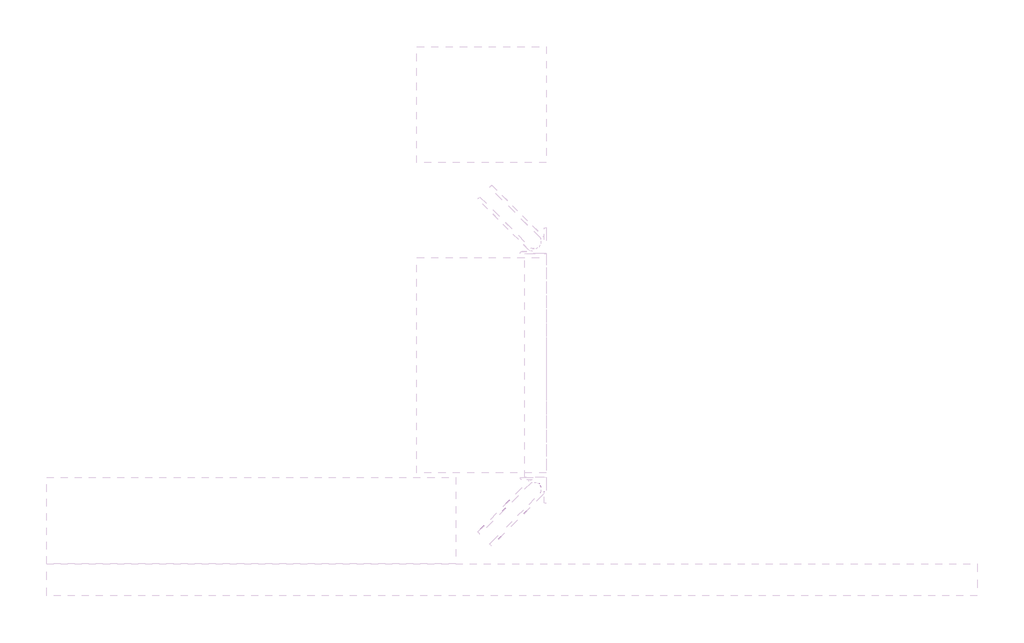
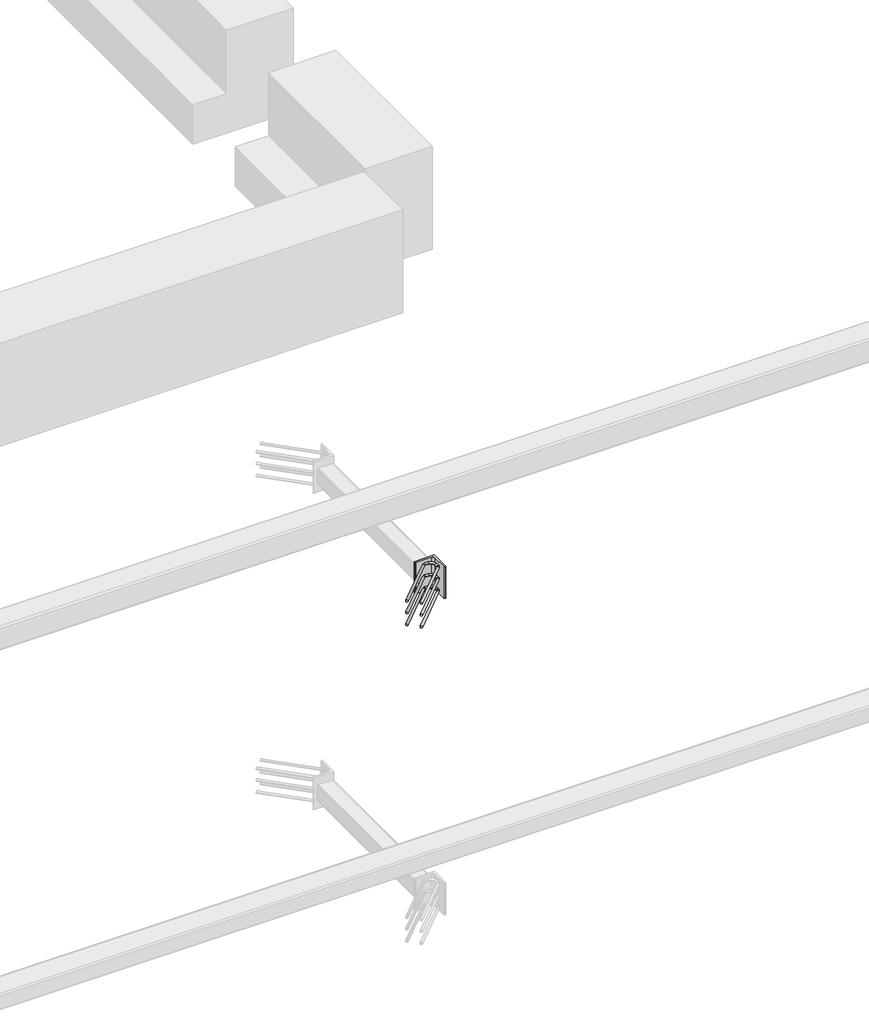
# One storey, part 46 of 65: 1 fastener.
"""IFC4 building model written with IfcOpenShell, lengths in millimetres."""

from ifc_helpers import new_model, si_unit, point, frame, frame_2d, origin, place, context, project, spatial, polyline, circle_curve, ellipse_curve, trimmed, segment, composite_curve, outline, extrude, element, save
from ifc_brep_helpers import plane_surface, cylinder_surface, revolved_surface, advanced_brep

model = new_model("IFC4")

# Units and contexts
model_context = context("Model", 3, world=origin())
ifc_project = project(units=[si_unit("LENGTHUNIT", "METRE", prefix="MILLI")], contexts=[model_context])

# Site, building, storey
site = spatial("IfcSite", under=ifc_project)
building = spatial("IfcBuilding", under=site)
storey = spatial("IfcBuildingStorey", under=building, Elevation=0.0)

# Fastener
placement = place(None, origin())
element("IfcFastener", 1, at=placement, inside=storey, context=model_context, shape_type="SolidModel", body=[
    advanced_brep(
    [(71097.4623741, 9882.5628791, 3975.0), (71087.5628791, 9892.4623741, 3975.0), (71032.5628791, 9947.4623741, 3975.0), (71042.4623741, 9937.5628791, 3975.0), (71303.0, 10176.0, 3975.0), (71303.0, 10190.0, 3975.0), (71284.2132034, 10190.0, 3975.0), (71284.2132034, 10176.0, 3975.0), (71326.0, 10153.0, 3975.0), (71340.0, 10153.0, 3975.0), (71326.0, 10134.2132034, 3975.0), (71340.0, 10134.2132034, 3975.0), (71333.5563492, 10118.6568542, 3975.0), (71323.6568543, 10128.5563492, 3975.0), (71278.5563492, 10173.6568542, 3975.0), (71268.6568543, 10183.5563492, 3975.0)],
    [
        (0, 1, circle_curve(frame((71092.5126266, 9887.5126266, 3975.0), z_axis=(-0.7071067811865505, -0.7071067811865446, 0.0), x_axis=(-0.7071067811865447, 0.7071067811865506, 0.0)), 7.0)),
        (1, 0, circle_curve(frame((71092.5126266, 9887.5126266, 3975.0), z_axis=(-0.7071067811865505, -0.7071067811865446, 0.0), x_axis=(-0.7071067811865447, 0.7071067811865506, 0.0)), 7.0)),
        (2, 3, circle_curve(frame((71037.5126266, 9942.5126266, 3975.0), z_axis=(-0.7071067811865503, -0.7071067811865447, 0.0), x_axis=(0.7071067811865447, -0.7071067811865503, 0.0)), 7.0)),
        (3, 2, circle_curve(frame((71037.5126266, 9942.5126266, 3975.0), z_axis=(-0.7071067811865503, -0.7071067811865447, 0.0), x_axis=(0.7071067811865447, -0.7071067811865503, 0.0)), 7.0)),
        (4, 5, circle_curve(frame((71303.0, 10183.0, 3975.0), z_axis=(-1.0, 0.0, 0.0), x_axis=(0.0, -1.0, 0.0)), 7.0)),
        (5, 6),
        (6, 7, circle_curve(frame((71284.2132034, 10183.0, 3975.0), z_axis=(1.0, 0.0, 0.0), x_axis=(0.0, -1.0, 0.0)), 7.0)),
        (7, 4),
        (5, 4, circle_curve(frame((71303.0, 10183.0, 3975.0), z_axis=(-1.0, 0.0, 0.0), x_axis=(0.0, -1.0, 0.0)), 7.0)),
        (7, 6, circle_curve(frame((71284.2132034, 10183.0, 3975.0), z_axis=(1.0, 0.0, 0.0), x_axis=(0.0, -1.0, 0.0)), 7.0)),
        (4, 8, circle_curve(frame((71303.0, 10153.0, 3975.0), z_axis=(0.0, 0.0, -1.0), x_axis=(1.0, 0.0, 0.0)), 23.0)),
        (8, 9, circle_curve(frame((71333.0, 10153.0, 3975.0), z_axis=(0.0, 1.0, 0.0), x_axis=(-1.0, 0.0, 0.0)), 7.0)),
        (9, 5, circle_curve(frame((71303.0, 10153.0, 3975.0), z_axis=(0.0, 0.0, 1.0), x_axis=(1.0, 0.0, 0.0)), 37.0)),
        (9, 8, circle_curve(frame((71333.0, 10153.0, 3975.0), z_axis=(0.0, 1.0, 0.0), x_axis=(-1.0, 0.0, 0.0)), 7.0)),
        (10, 11, circle_curve(frame((71333.0, 10134.2132034, 3975.0), z_axis=(0.0, 1.0, 0.0), x_axis=(-1.0, 0.0, 0.0)), 7.0)),
        (11, 9),
        (8, 10),
        (11, 10, circle_curve(frame((71333.0, 10134.2132034, 3975.0), z_axis=(0.0, 1.0, 0.0), x_axis=(-1.0, 0.0, 0.0)), 7.0)),
        (0, 12),
        (12, 13, circle_curve(frame((71328.6066017, 10123.6066017, 3975.0), z_axis=(-0.7071067811865505, -0.7071067811865446, 0.0), x_axis=(-0.7071067811865447, 0.7071067811865506, 0.0)), 7.0)),
        (13, 1),
        (13, 12, circle_curve(frame((71328.6066017, 10123.6066017, 3975.0), z_axis=(-0.7071067811865505, -0.7071067811865446, 0.0), x_axis=(-0.7071067811865447, 0.7071067811865506, 0.0)), 7.0)),
        (10, 13, circle_curve(frame((71318.0, 10134.2132034, 3975.0), z_axis=(0.0, 0.0, -1.0), x_axis=(0.7071067811865445, -0.7071067811865506, 0.0)), 8.0)),
        (12, 11, circle_curve(frame((71318.0, 10134.2132034, 3975.0), z_axis=(0.0, 0.0, 1.0), x_axis=(0.7071067811865445, -0.7071067811865506, 0.0)), 22.0)),
        (14, 7, circle_curve(frame((71284.2132034, 10168.0, 3975.0), z_axis=(0.0, 0.0, -1.0), x_axis=(0.0, 1.0, 0.0)), 8.0)),
        (6, 15, circle_curve(frame((71284.2132034, 10168.0, 3975.0), z_axis=(0.0, 0.0, 1.0), x_axis=(0.0, 1.0, 0.0)), 22.0)),
        (15, 14, circle_curve(frame((71273.6066017, 10178.6066017, 3975.0), z_axis=(0.7071067811865501, 0.7071067811865449, 0.0), x_axis=(0.7071067811865449, -0.7071067811865501, 0.0)), 7.0)),
        (14, 15, circle_curve(frame((71273.6066017, 10178.6066017, 3975.0), z_axis=(0.7071067811865496, 0.7071067811865455, 0.0), x_axis=(0.7071067811865455, -0.7071067811865496, 0.0)), 7.0)),
        (15, 2),
        (3, 14),
    ],
    [
        plane_surface(frame((71092.5126266, 9887.5126266, 3975.0), z_axis=(-0.7071067811865505, -0.7071067811865446, 0.0), x_axis=(0.0, 0.0, 1.0))),
        plane_surface(frame((71037.5126266, 9942.5126266, 3975.0), z_axis=(-0.7071067811865503, -0.7071067811865447, 0.0), x_axis=(0.0, 0.0, 1.0))),
        cylinder_surface(frame((71303.0, 10183.0, 3975.0), z_axis=(1.0, 0.0, 0.0), x_axis=(0.0, -1.0, 0.0)), 7.0),
        revolved_surface(trimmed(ellipse_curve(frame((71333.0, 10153.0, 3975.0), z_axis=(0.0, -1.0, 0.0), x_axis=(-1.0, 0.0, 0.0)), 7.0, 7.0), [point((71340.0, 10153.0, 3975.0))], [point((71326.0, 10153.0, 3975.0))], True, "CARTESIAN"), (71303.0, 10153.0, 3975.0), (0.0, 0.0, 1.0)),
        revolved_surface(trimmed(ellipse_curve(frame((71333.0, 10153.0, 3975.0), z_axis=(0.0, -1.0, 0.0), x_axis=(-1.0, 0.0, 0.0)), 7.0, 7.0), [point((71326.0, 10153.0, 3975.0))], [point((71340.0, 10153.0, 3975.0))], True, "CARTESIAN"), (71303.0, 10153.0, 3975.0), (0.0, 0.0, 1.0)),
        cylinder_surface(frame((71333.0, 10134.2132034, 3975.0), z_axis=(0.0, -1.0, 0.0), x_axis=(-1.0, 0.0, 0.0)), 7.0),
        cylinder_surface(frame((71092.5126266, 9887.5126266, 3975.0), z_axis=(-0.7071067811865506, -0.7071067811865447, 0.0), x_axis=(-0.7071067811865447, 0.7071067811865506, 0.0)), 7.0),
        revolved_surface(trimmed(ellipse_curve(frame((71328.6066017, 10123.6066017, 3975.0), z_axis=(-0.7071067811865506, -0.7071067811865445, 0.0), x_axis=(-0.7071067811865445, 0.7071067811865506, 0.0)), 7.0, 7.0), [point((71333.5563492, 10118.6568542, 3975.0))], [point((71323.6568543, 10128.5563492, 3975.0))], True, "CARTESIAN"), (71318.0, 10134.2132034, 3975.0), (0.0, 0.0, 1.0)),
        revolved_surface(trimmed(ellipse_curve(frame((71328.6066017, 10123.6066017, 3975.0), z_axis=(-0.7071067811865506, -0.7071067811865445, 0.0), x_axis=(-0.7071067811865445, 0.7071067811865506, 0.0)), 7.0, 7.0), [point((71323.6568543, 10128.5563492, 3975.0))], [point((71333.5563492, 10118.6568542, 3975.0))], True, "CARTESIAN"), (71318.0, 10134.2132034, 3975.0), (0.0, 0.0, 1.0)),
        revolved_surface(trimmed(ellipse_curve(frame((71284.2132034, 10183.0, 3975.0), z_axis=(1.0, 0.0, 0.0), x_axis=(0.0, -1.0, 0.0)), 7.0, 7.0), [point((71284.2132034, 10190.0, 3975.0))], [point((71284.2132034, 10176.0, 3975.0))], True, "CARTESIAN"), (71284.2132034, 10168.0, 3975.0), (0.0, 0.0, 1.0)),
        revolved_surface(trimmed(ellipse_curve(frame((71284.2132034, 10183.0, 3975.0), z_axis=(1.0, 0.0, 0.0), x_axis=(0.0, -1.0, 0.0)), 7.0, 7.0), [point((71284.2132034, 10176.0, 3975.0))], [point((71284.2132034, 10190.0, 3975.0))], True, "CARTESIAN"), (71284.2132034, 10168.0, 3975.0), (0.0, 0.0, 1.0)),
        cylinder_surface(frame((71273.6066017, 10178.6066017, 3975.0), z_axis=(0.7071067811865503, 0.7071067811865447, 0.0), x_axis=(0.7071067811865447, -0.7071067811865503, 0.0)), 7.0),
    ],
    [
        (0, [[1, 2]]),
        (1, [[3, 4]]),
        (2, [[5, 6, 7, 8]]),
        (2, [[9, -8, 10, -6]]),
        (3, [[11, 12, 13, -5]]),
        (4, [[-13, 14, -11, -9]]),
        (5, [[15, 16, -12, 17]]),
        (5, [[18, -17, -14, -16]]),
        (6, [[-1, 19, 20, 21]]),
        (6, [[-2, -21, 22, -19]]),
        (7, [[23, -20, 24, -15]]),
        (8, [[-24, -22, -23, -18]]),
        (9, [[25, -7, 26, 27]]),
        (10, [[-26, -10, -25, 28]]),
        (11, [[-27, 29, -4, 30]]),
        (11, [[-28, -30, -3, -29]]),
    ],
),
    advanced_brep(
    [(71087.5628791, 9892.4623741, 4125.0), (71097.4623741, 9882.5628791, 4125.0), (71042.4623741, 9937.5628791, 4125.0), (71032.5628791, 9947.4623741, 4125.0), (71303.0, 10190.0, 4125.0), (71303.0, 10176.0, 4125.0), (71284.2132034, 10176.0, 4125.0), (71284.2132034, 10190.0, 4125.0), (71340.0, 10153.0, 4125.0), (71326.0, 10153.0, 4125.0), (71340.0, 10134.2132034, 4125.0), (71326.0, 10134.2132034, 4125.0), (71323.6568543, 10128.5563492, 4125.0), (71333.5563492, 10118.6568542, 4125.0), (71268.6568543, 10183.5563492, 4125.0), (71278.5563492, 10173.6568542, 4125.0)],
    [
        (0, 1, circle_curve(frame((71092.5126266, 9887.5126266, 4125.0), z_axis=(-0.7071067811865505, -0.7071067811865446, 0.0), x_axis=(0.7071067811865447, -0.7071067811865506, 0.0)), 7.0)),
        (1, 0, circle_curve(frame((71092.5126266, 9887.5126266, 4125.0), z_axis=(-0.7071067811865505, -0.7071067811865446, 0.0), x_axis=(0.7071067811865447, -0.7071067811865506, 0.0)), 7.0)),
        (2, 3, circle_curve(frame((71037.5126266, 9942.5126266, 4125.0), z_axis=(-0.7071067811865505, -0.7071067811865447, 0.0), x_axis=(-0.7071067811865447, 0.7071067811865505, 0.0)), 7.0)),
        (3, 2, circle_curve(frame((71037.5126266, 9942.5126266, 4125.0), z_axis=(-0.7071067811865505, -0.7071067811865447, 0.0), x_axis=(-0.7071067811865447, 0.7071067811865505, 0.0)), 7.0)),
        (4, 5, circle_curve(frame((71303.0, 10183.0, 4125.0), z_axis=(-1.0, 0.0, 0.0), x_axis=(0.0, 1.0, 0.0)), 7.0)),
        (5, 6),
        (6, 7, circle_curve(frame((71284.2132034, 10183.0, 4125.0), z_axis=(1.0, 0.0, 0.0), x_axis=(0.0, 1.0, 0.0)), 7.0)),
        (7, 4),
        (5, 4, circle_curve(frame((71303.0, 10183.0, 4125.0), z_axis=(-1.0, 0.0, 0.0), x_axis=(0.0, 1.0, 0.0)), 7.0)),
        (7, 6, circle_curve(frame((71284.2132034, 10183.0, 4125.0), z_axis=(1.0, 0.0, 0.0), x_axis=(0.0, 1.0, 0.0)), 7.0)),
        (4, 8, circle_curve(frame((71303.0, 10153.0, 4125.0), z_axis=(0.0, 0.0, -1.0), x_axis=(1.0, 0.0, 0.0)), 37.0)),
        (8, 9, circle_curve(frame((71333.0, 10153.0, 4125.0), z_axis=(0.0, 1.0, 0.0), x_axis=(1.0, 0.0, 0.0)), 7.0)),
        (9, 5, circle_curve(frame((71303.0, 10153.0, 4125.0), z_axis=(0.0, 0.0, 1.0), x_axis=(1.0, 0.0, 0.0)), 23.0)),
        (9, 8, circle_curve(frame((71333.0, 10153.0, 4125.0), z_axis=(0.0, 1.0, 0.0), x_axis=(1.0, 0.0, 0.0)), 7.0)),
        (10, 11, circle_curve(frame((71333.0, 10134.2132034, 4125.0), z_axis=(0.0, 1.0, 0.0), x_axis=(1.0, 0.0, 0.0)), 7.0)),
        (11, 9),
        (8, 10),
        (11, 10, circle_curve(frame((71333.0, 10134.2132034, 4125.0), z_axis=(0.0, 1.0, 0.0), x_axis=(1.0, 0.0, 0.0)), 7.0)),
        (0, 12),
        (12, 13, circle_curve(frame((71328.6066017, 10123.6066017, 4125.0), z_axis=(-0.7071067811865505, -0.7071067811865446, 0.0), x_axis=(0.7071067811865447, -0.7071067811865506, 0.0)), 7.0)),
        (13, 1),
        (13, 12, circle_curve(frame((71328.6066017, 10123.6066017, 4125.0), z_axis=(-0.7071067811865505, -0.7071067811865446, 0.0), x_axis=(0.7071067811865447, -0.7071067811865506, 0.0)), 7.0)),
        (10, 13, circle_curve(frame((71318.0, 10134.2132034, 4125.0), z_axis=(0.0, 0.0, -1.0), x_axis=(0.7071067811865445, -0.7071067811865506, 0.0)), 22.0)),
        (12, 11, circle_curve(frame((71318.0, 10134.2132034, 4125.0), z_axis=(0.0, 0.0, 1.0), x_axis=(0.7071067811865445, -0.7071067811865506, 0.0)), 8.0)),
        (14, 7, circle_curve(frame((71284.2132034, 10168.0, 4125.0), z_axis=(0.0, 0.0, -1.0), x_axis=(0.0, 1.0, 0.0)), 22.0)),
        (6, 15, circle_curve(frame((71284.2132034, 10168.0, 4125.0), z_axis=(0.0, 0.0, 1.0), x_axis=(0.0, 1.0, 0.0)), 8.0)),
        (15, 14, circle_curve(frame((71273.6066017, 10178.6066017, 4125.0), z_axis=(0.7071067811865488, 0.7071067811865462, 0.0), x_axis=(-0.7071067811865462, 0.7071067811865488, 0.0)), 7.0)),
        (14, 15, circle_curve(frame((71273.6066017, 10178.6066017, 4125.0), z_axis=(0.7071067811865496, 0.7071067811865455, 0.0), x_axis=(-0.7071067811865455, 0.7071067811865496, 0.0)), 7.0)),
        (15, 2),
        (3, 14),
    ],
    [
        plane_surface(frame((71092.5126266, 9887.5126266, 4125.0), z_axis=(-0.7071067811865505, -0.7071067811865446, 0.0), x_axis=(0.0, 0.0, -1.0))),
        plane_surface(frame((71037.5126266, 9942.5126266, 4125.0), z_axis=(-0.7071067811865505, -0.7071067811865447, 0.0), x_axis=(0.0, 0.0, -1.0))),
        cylinder_surface(frame((71303.0, 10183.0, 4125.0), z_axis=(1.0, 0.0, 0.0), x_axis=(0.0, 1.0, 0.0)), 7.0),
        revolved_surface(trimmed(ellipse_curve(frame((71333.0, 10153.0, 4125.0), z_axis=(0.0, -1.0, 0.0), x_axis=(1.0, 0.0, 0.0)), 7.0, 7.0), [point((71326.0, 10153.0, 4125.0))], [point((71340.0, 10153.0, 4125.0))], True, "CARTESIAN"), (71303.0, 10153.0, 4125.0), (0.0, 0.0, 1.0)),
        revolved_surface(trimmed(ellipse_curve(frame((71333.0, 10153.0, 4125.0), z_axis=(0.0, -1.0, 0.0), x_axis=(1.0, 0.0, 0.0)), 7.0, 7.0), [point((71340.0, 10153.0, 4125.0))], [point((71326.0, 10153.0, 4125.0))], True, "CARTESIAN"), (71303.0, 10153.0, 4125.0), (0.0, 0.0, 1.0)),
        cylinder_surface(frame((71333.0, 10134.2132034, 4125.0), z_axis=(0.0, -1.0, 0.0), x_axis=(1.0, 0.0, 0.0)), 7.0),
        cylinder_surface(frame((71092.5126266, 9887.5126266, 4125.0), z_axis=(-0.7071067811865506, -0.7071067811865447, 0.0), x_axis=(0.7071067811865447, -0.7071067811865506, 0.0)), 7.0),
        revolved_surface(trimmed(ellipse_curve(frame((71328.6066017, 10123.6066017, 4125.0), z_axis=(-0.7071067811865506, -0.7071067811865445, 0.0), x_axis=(0.7071067811865445, -0.7071067811865506, 0.0)), 7.0, 7.0), [point((71323.6568543, 10128.5563492, 4125.0))], [point((71333.5563492, 10118.6568542, 4125.0))], True, "CARTESIAN"), (71318.0, 10134.2132034, 4125.0), (0.0, 0.0, 1.0)),
        revolved_surface(trimmed(ellipse_curve(frame((71328.6066017, 10123.6066017, 4125.0), z_axis=(-0.7071067811865506, -0.7071067811865445, 0.0), x_axis=(0.7071067811865445, -0.7071067811865506, 0.0)), 7.0, 7.0), [point((71333.5563492, 10118.6568542, 4125.0))], [point((71323.6568543, 10128.5563492, 4125.0))], True, "CARTESIAN"), (71318.0, 10134.2132034, 4125.0), (0.0, 0.0, 1.0)),
        revolved_surface(trimmed(ellipse_curve(frame((71284.2132034, 10183.0, 4125.0), z_axis=(1.0, 0.0, 0.0), x_axis=(0.0, 1.0, 0.0)), 7.0, 7.0), [point((71284.2132034, 10176.0, 4125.0))], [point((71284.2132034, 10190.0, 4125.0))], True, "CARTESIAN"), (71284.2132034, 10168.0, 4125.0), (0.0, 0.0, 1.0)),
        revolved_surface(trimmed(ellipse_curve(frame((71284.2132034, 10183.0, 4125.0), z_axis=(1.0, 0.0, 0.0), x_axis=(0.0, 1.0, 0.0)), 7.0, 7.0), [point((71284.2132034, 10190.0, 4125.0))], [point((71284.2132034, 10176.0, 4125.0))], True, "CARTESIAN"), (71284.2132034, 10168.0, 4125.0), (0.0, 0.0, 1.0)),
        cylinder_surface(frame((71273.6066017, 10178.6066017, 4125.0), z_axis=(0.7071067811865505, 0.7071067811865447, 0.0), x_axis=(-0.7071067811865447, 0.7071067811865505, 0.0)), 7.0),
    ],
    [
        (0, [[1, 2]]),
        (1, [[3, 4]]),
        (2, [[5, 6, 7, 8]]),
        (2, [[9, -8, 10, -6]]),
        (3, [[11, 12, 13, -5]]),
        (4, [[-13, 14, -11, -9]]),
        (5, [[15, 16, -12, 17]]),
        (5, [[18, -17, -14, -16]]),
        (6, [[-1, 19, 20, 21]]),
        (6, [[-2, -21, 22, -19]]),
        (7, [[23, -20, 24, -15]]),
        (8, [[-24, -22, -23, -18]]),
        (9, [[25, -7, 26, 27]]),
        (10, [[-26, -10, -25, 28]]),
        (11, [[-27, 29, -4, 30]]),
        (11, [[-28, -30, -3, -29]]),
    ],
),
    advanced_brep(
    [(71087.5628791, 9892.4623741, 4050.0), (71097.4623741, 9882.5628791, 4050.0), (71042.4623741, 9937.5628791, 4050.0), (71032.5628791, 9947.4623741, 4050.0), (71303.0, 10190.0, 4050.0), (71303.0, 10176.0, 4050.0), (71284.2132034, 10176.0, 4050.0), (71284.2132034, 10190.0, 4050.0), (71340.0, 10153.0, 4050.0), (71326.0, 10153.0, 4050.0), (71340.0, 10134.2132034, 4050.0), (71326.0, 10134.2132034, 4050.0), (71323.6568543, 10128.5563492, 4050.0), (71333.5563492, 10118.6568542, 4050.0), (71268.6568543, 10183.5563492, 4050.0), (71278.5563492, 10173.6568542, 4050.0)],
    [
        (0, 1, circle_curve(frame((71092.5126266, 9887.5126266, 4050.0), z_axis=(-0.7071067811865505, -0.7071067811865446, 0.0), x_axis=(0.7071067811865446, -0.7071067811865505, 0.0)), 7.0)),
        (1, 0, circle_curve(frame((71092.5126266, 9887.5126266, 4050.0), z_axis=(-0.7071067811865505, -0.7071067811865446, 0.0), x_axis=(0.7071067811865446, -0.7071067811865505, 0.0)), 7.0)),
        (2, 3, circle_curve(frame((71037.5126266, 9942.5126266, 4050.0), z_axis=(-0.7071067811865505, -0.7071067811865447, 0.0), x_axis=(-0.7071067811865447, 0.7071067811865505, 0.0)), 7.0)),
        (3, 2, circle_curve(frame((71037.5126266, 9942.5126266, 4050.0), z_axis=(-0.7071067811865505, -0.7071067811865447, 0.0), x_axis=(-0.7071067811865447, 0.7071067811865505, 0.0)), 7.0)),
        (4, 5, circle_curve(frame((71303.0, 10183.0, 4050.0), z_axis=(-1.0, 0.0, 0.0), x_axis=(0.0, 1.0, 0.0)), 7.0)),
        (5, 6),
        (6, 7, circle_curve(frame((71284.2132034, 10183.0, 4050.0), z_axis=(1.0, 0.0, 0.0), x_axis=(0.0, 1.0, 0.0)), 7.0)),
        (7, 4),
        (5, 4, circle_curve(frame((71303.0, 10183.0, 4050.0), z_axis=(-1.0, 0.0, 0.0), x_axis=(0.0, 1.0, 0.0)), 7.0)),
        (7, 6, circle_curve(frame((71284.2132034, 10183.0, 4050.0), z_axis=(1.0, 0.0, 0.0), x_axis=(0.0, 1.0, 0.0)), 7.0)),
        (4, 8, circle_curve(frame((71303.0, 10153.0, 4050.0), z_axis=(0.0, 0.0, -1.0), x_axis=(1.0, 0.0, 0.0)), 37.0)),
        (8, 9, circle_curve(frame((71333.0, 10153.0, 4050.0), z_axis=(0.0, 1.0, 0.0), x_axis=(1.0, 0.0, 0.0)), 7.0)),
        (9, 5, circle_curve(frame((71303.0, 10153.0, 4050.0), z_axis=(0.0, 0.0, 1.0), x_axis=(1.0, 0.0, 0.0)), 23.0)),
        (9, 8, circle_curve(frame((71333.0, 10153.0, 4050.0), z_axis=(0.0, 1.0, 0.0), x_axis=(1.0, 0.0, 0.0)), 7.0)),
        (10, 11, circle_curve(frame((71333.0, 10134.2132034, 4050.0), z_axis=(0.0, 1.0, 0.0), x_axis=(1.0, 0.0, 0.0)), 7.0)),
        (11, 9),
        (8, 10),
        (11, 10, circle_curve(frame((71333.0, 10134.2132034, 4050.0), z_axis=(0.0, 1.0, 0.0), x_axis=(1.0, 0.0, 0.0)), 7.0)),
        (0, 12),
        (12, 13, circle_curve(frame((71328.6066017, 10123.6066017, 4050.0), z_axis=(-0.7071067811865505, -0.7071067811865446, 0.0), x_axis=(0.7071067811865446, -0.7071067811865505, 0.0)), 7.0)),
        (13, 1),
        (13, 12, circle_curve(frame((71328.6066017, 10123.6066017, 4050.0), z_axis=(-0.7071067811865505, -0.7071067811865446, 0.0), x_axis=(0.7071067811865446, -0.7071067811865505, 0.0)), 7.0)),
        (10, 13, circle_curve(frame((71318.0, 10134.2132034, 4050.0), z_axis=(0.0, 0.0, -1.0), x_axis=(0.7071067811865445, -0.7071067811865506, 0.0)), 22.0)),
        (12, 11, circle_curve(frame((71318.0, 10134.2132034, 4050.0), z_axis=(0.0, 0.0, 1.0), x_axis=(0.7071067811865445, -0.7071067811865506, 0.0)), 8.0)),
        (14, 7, circle_curve(frame((71284.2132034, 10168.0, 4050.0), z_axis=(0.0, 0.0, -1.0), x_axis=(0.0, 1.0, 0.0)), 22.0)),
        (6, 15, circle_curve(frame((71284.2132034, 10168.0, 4050.0), z_axis=(0.0, 0.0, 1.0), x_axis=(0.0, 1.0, 0.0)), 8.0)),
        (15, 14, circle_curve(frame((71273.6066017, 10178.6066017, 4050.0), z_axis=(0.7071067811865502, 0.7071067811865448, 0.0), x_axis=(-0.7071067811865448, 0.7071067811865502, 0.0)), 7.0)),
        (14, 15, circle_curve(frame((71273.6066017, 10178.6066017, 4050.0), z_axis=(0.7071067811865501, 0.7071067811865449, 0.0), x_axis=(-0.7071067811865449, 0.7071067811865501, 0.0)), 7.0)),
        (15, 2),
        (3, 14),
    ],
    [
        plane_surface(frame((71092.5126266, 9887.5126266, 4050.0), z_axis=(-0.7071067811865505, -0.7071067811865446, 0.0), x_axis=(0.0, 0.0, -1.0))),
        plane_surface(frame((71037.5126266, 9942.5126266, 4050.0), z_axis=(-0.7071067811865503, -0.7071067811865448, 0.0), x_axis=(0.0, 0.0, -1.0))),
        cylinder_surface(frame((71303.0, 10183.0, 4050.0), z_axis=(1.0, 0.0, 0.0), x_axis=(0.0, 1.0, 0.0)), 7.0),
        revolved_surface(trimmed(ellipse_curve(frame((71333.0, 10153.0, 4050.0), z_axis=(0.0, -1.0, 0.0), x_axis=(1.0, 0.0, 0.0)), 7.0, 7.0), [point((71326.0, 10153.0, 4050.0))], [point((71340.0, 10153.0, 4050.0))], True, "CARTESIAN"), (71303.0, 10153.0, 4050.0), (0.0, 0.0, 1.0)),
        revolved_surface(trimmed(ellipse_curve(frame((71333.0, 10153.0, 4050.0), z_axis=(0.0, -1.0, 0.0), x_axis=(1.0, 0.0, 0.0)), 7.0, 7.0), [point((71340.0, 10153.0, 4050.0))], [point((71326.0, 10153.0, 4050.0))], True, "CARTESIAN"), (71303.0, 10153.0, 4050.0), (0.0, 0.0, 1.0)),
        cylinder_surface(frame((71333.0, 10134.2132034, 4050.0), z_axis=(0.0, -1.0, 0.0), x_axis=(1.0, 0.0, 0.0)), 7.0),
        cylinder_surface(frame((71092.5126266, 9887.5126266, 4050.0), z_axis=(-0.7071067811865505, -0.7071067811865446, 0.0), x_axis=(0.7071067811865446, -0.7071067811865505, 0.0)), 7.0),
        revolved_surface(trimmed(ellipse_curve(frame((71328.6066017, 10123.6066017, 4050.0), z_axis=(-0.7071067811865507, -0.7071067811865444, 0.0), x_axis=(0.7071067811865444, -0.7071067811865507, 0.0)), 7.0, 7.0), [point((71323.6568543, 10128.5563492, 4050.0))], [point((71333.5563492, 10118.6568542, 4050.0))], True, "CARTESIAN"), (71318.0, 10134.2132034, 4050.0), (0.0, 0.0, 1.0)),
        revolved_surface(trimmed(ellipse_curve(frame((71328.6066017, 10123.6066017, 4050.0), z_axis=(-0.7071067811865507, -0.7071067811865444, 0.0), x_axis=(0.7071067811865444, -0.7071067811865507, 0.0)), 7.0, 7.0), [point((71333.5563492, 10118.6568542, 4050.0))], [point((71323.6568543, 10128.5563492, 4050.0))], True, "CARTESIAN"), (71318.0, 10134.2132034, 4050.0), (0.0, 0.0, 1.0)),
        revolved_surface(trimmed(ellipse_curve(frame((71284.2132034, 10183.0, 4050.0), z_axis=(1.0, 0.0, 0.0), x_axis=(0.0, 1.0, 0.0)), 7.0, 7.0), [point((71284.2132034, 10176.0, 4050.0))], [point((71284.2132034, 10190.0, 4050.0))], True, "CARTESIAN"), (71284.2132034, 10168.0, 4050.0), (0.0, 0.0, 1.0)),
        revolved_surface(trimmed(ellipse_curve(frame((71284.2132034, 10183.0, 4050.0), z_axis=(1.0, 0.0, 0.0), x_axis=(0.0, 1.0, 0.0)), 7.0, 7.0), [point((71284.2132034, 10190.0, 4050.0))], [point((71284.2132034, 10176.0, 4050.0))], True, "CARTESIAN"), (71284.2132034, 10168.0, 4050.0), (0.0, 0.0, 1.0)),
        cylinder_surface(frame((71273.6066017, 10178.6066017, 4050.0), z_axis=(0.7071067811865505, 0.7071067811865447, 0.0), x_axis=(-0.7071067811865447, 0.7071067811865505, 0.0)), 7.0),
    ],
    [
        (0, [[1, 2]]),
        (1, [[3, 4]]),
        (2, [[5, 6, 7, 8]]),
        (2, [[9, -8, 10, -6]]),
        (3, [[11, 12, 13, -5]]),
        (4, [[-13, 14, -11, -9]]),
        (5, [[15, 16, -12, 17]]),
        (5, [[18, -17, -14, -16]]),
        (6, [[-1, 19, 20, 21]]),
        (6, [[-2, -21, 22, -19]]),
        (7, [[23, -20, 24, -15]]),
        (8, [[-24, -22, -23, -18]]),
        (9, [[25, -7, 26, 27]]),
        (10, [[-26, -10, -25, 28]]),
        (11, [[-27, 29, -4, 30]]),
        (11, [[-28, -30, -3, -29]]),
    ],
),
    extrude(outline(composite_curve([segment(polyline([(71350.0, 10200.0), (71350.0, 10080.0), (71346.5, 10080.0)]), True, "CONTINUOUS"), segment(trimmed(circle_curve(frame_2d((71346.5, 10086.5)), 6.5), [point((71346.5, 10080.0))], [point((71340.0, 10086.5))], False, "CARTESIAN"), True, "CONTINUOUS"), segment(polyline([(71340.0, 10086.5), (71340.0, 10177.0)]), True, "CONTINUOUS"), segment(trimmed(circle_curve(frame_2d((71327.0, 10177.0)), 13.0), [point((71340.0, 10177.0))], [point((71327.0, 10190.0))], True, "CARTESIAN"), True, "CONTINUOUS"), segment(polyline([(71327.0, 10190.0), (71236.5, 10190.0)]), True, "CONTINUOUS"), segment(trimmed(circle_curve(frame_2d((71236.5, 10196.5)), 6.5), [point((71236.5, 10190.0))], [point((71230.0, 10196.5))], False, "CARTESIAN"), True, "CONTINUOUS"), segment(polyline([(71230.0, 10196.5), (71230.0, 10200.0), (71350.0, 10200.0)]), True, "CONTINUOUS")], self_intersect=False)), frame((0.0, 0.0, 3950.0), z_axis=(0.0, 0.0, 1.0), x_axis=(1.0, 0.0, 0.0)), (0.0, 0.0, 1.0), 200.0),
])

save(model, "model.ifc")
